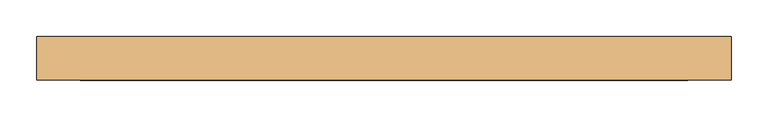
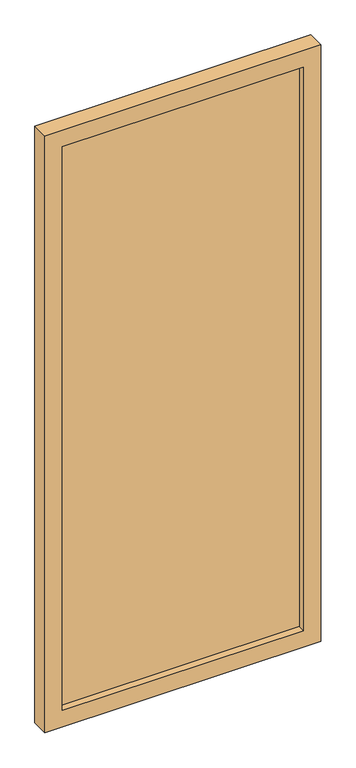
"""IFC4 building model written with IfcOpenShell, lengths in millimetres: door geometry."""

from ifc_helpers import new_model, si_unit, frame, origin, place, context, project, spatial, polyline, outline, extrude, source, transform, mapped, element, save


def door_d9e57879(model_context):
    return source(origin(), model_context, "Body", "SweptSolid", [
        extrude(outline(polyline([(415.3751963, 5.0), (415.3751963, -5.0), (-415.3751963, -5.0), (-415.3751963, 5.0), (415.3751963, 5.0)])), frame((0.0, 0.0, 60.0), z_axis=(0.0, 0.0, 1.0), x_axis=(1.0, 0.0, 0.0)), (0.0, 0.0, 1.0), 2055.0),
        extrude(outline(polyline([(2175.0, -475.3751963), (0.0, -475.3751963), (0.0, 475.3751963), (2175.0, 475.3751963), (2175.0, -475.3751963)]), holes=[polyline([(2115.0, 415.3751963), (60.0, 415.3751963), (60.0, -415.3751963), (2115.0, -415.3751963), (2115.0, 415.3751963)])]), frame((0.0, -30.0, 0.0), z_axis=(0.0, 1.0, 0.0), x_axis=(0.0, 0.0, 1.0)), (0.0, 0.0, 1.0), 60.0),
    ])


if __name__ == "__main__":
    model = new_model("IFC4")
    model_context = context("Model", 3, world=origin())
    ifc_project = project(units=[si_unit("LENGTHUNIT", "METRE", prefix="MILLI")], contexts=[model_context])
    site = spatial("IfcSite", under=ifc_project)
    building = spatial("IfcBuilding", under=site)
    placement = place(None, origin())
    door_shape = door_d9e57879(model_context)
    element("IfcDoor", 1, at=placement, inside=building, context=model_context, shape_type="MappedRepresentation", body=[
        mapped(door_shape, transform((0.0, 0.0, 0.0), x_axis=(1.0, 0.0, 0.0), y_axis=(0.0, 1.0, 0.0), z_axis=(0.0, 0.0, 1.0))),
    ])
    save(model, "model.ifc")
